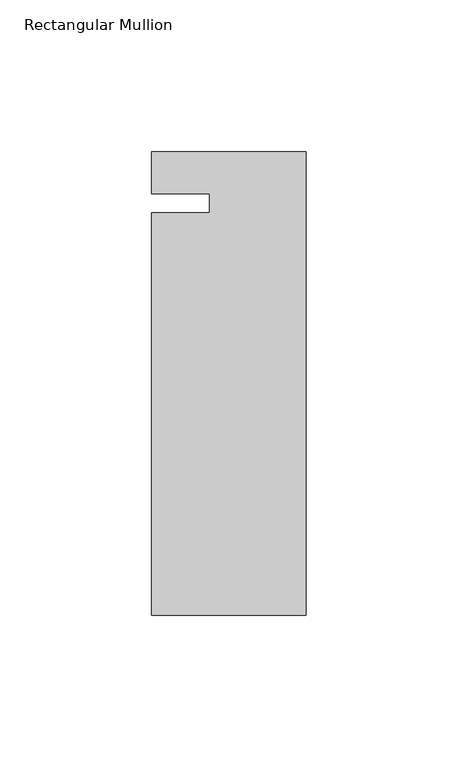
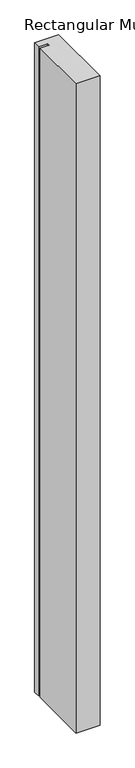
"""IFC4 building model written with IfcOpenShell, lengths in millimetres: member geometry, Rectangular Mullion."""

import ifcopenshell
import ifcopenshell.guid

model = None  # the IFC model being written
_history = None  # IfcOwnerHistory: only IFC2X3 demands one
_inside = {}  # id of a spatial element -> (the spatial element, [elements in it])
_under = {}  # id of a project, library or spatial element -> (it, [spatial elements below it])
_declared = {}  # id of a project -> (the project, [libraries it declares])
_typed = {}  # id of a type object -> (the type object, [elements of that type])
_made_of = {}  # id of a material, layer set ... -> (it, [elements and type objects made of it])


def new_model(schema):
    """Start an empty IFC model of exactly this schema.

    Asked for "IFC4X3", IfcOpenShell would pick the latest addendum, in which some entities
    have other attributes; the version numbers below select the first issue.
    IFC2X3 requires an IfcOwnerHistory on every rooted entity: one is made here for all.
    """
    global model, _history
    if schema == "IFC4X3":
        model = ifcopenshell.file(schema_version=(4, 3, 0, 0))
    else:
        model = ifcopenshell.file(schema=schema)
    _inside.clear()
    _under.clear()
    _declared.clear()
    _typed.clear()
    _made_of.clear()
    _history = None
    if model.schema == "IFC2X3":
        org = make("IfcOrganization", Name="unknown")
        user = make(
            "IfcPersonAndOrganization",
            ThePerson=make("IfcPerson", FamilyName="unknown"),
            TheOrganization=org,
        )
        app = make(
            "IfcApplication",
            ApplicationDeveloper=org,
            Version="unknown",
            ApplicationFullName="unknown",
            ApplicationIdentifier="unknown",
        )
        _history = make(
            "IfcOwnerHistory",
            OwningUser=user,
            OwningApplication=app,
            ChangeAction="ADDED",
            CreationDate=0,
        )
    return model


def make(cls, **values):
    """One entity of the class cls with the attributes given. An attribute that is None is left unset."""
    return model.create_entity(
        cls, **{name: value for name, value in values.items() if value is not None}
    )


def rooted(cls, **values):
    """An entity with a GlobalId (a new one), such as an element, a storey or a relation."""
    return make(cls, GlobalId=ifcopenshell.guid.new(), OwnerHistory=_history, **values)


def si_unit(unit_type, name, prefix=None):
    """IfcSIUnit, for example si_unit("LENGTHUNIT", "METRE", prefix="MILLI")."""
    return make("IfcSIUnit", UnitType=unit_type, Prefix=prefix, Name=name)


def assignment(units):
    """IfcUnitAssignment: the units of a project."""
    return None if units is None else make("IfcUnitAssignment", Units=units)


def point(xyz):
    """IfcCartesianPoint."""
    return None if xyz is None else make("IfcCartesianPoint", Coordinates=xyz)


def direction(xyz):
    """IfcDirection."""
    return None if xyz is None else make("IfcDirection", DirectionRatios=xyz)


def frame(location, z_axis=None, x_axis=None):
    """IfcAxis2Placement3D, a coordinate frame: its origin and axes. An axis left out is left unset."""
    return make(
        "IfcAxis2Placement3D",
        Location=point(location),
        Axis=direction(z_axis),
        RefDirection=direction(x_axis),
    )


def origin():
    """The frame at (0, 0, 0) with its axes left unset."""
    return frame((0.0, 0.0, 0.0))


def place(relative_to, where):
    """IfcLocalPlacement: puts the frame where relative to a parent placement (None: the world)."""
    return make(
        "IfcLocalPlacement", PlacementRelTo=relative_to, RelativePlacement=where
    )


def context(
    kind, dimensions, precision=None, world=None, true_north=None, identifier=None
):
    """IfcGeometricRepresentationContext, for example the 3D "Model" context."""
    return make(
        "IfcGeometricRepresentationContext",
        ContextIdentifier=identifier,
        ContextType=kind,
        CoordinateSpaceDimension=dimensions,
        Precision=precision,
        WorldCoordinateSystem=world,
        TrueNorth=true_north,
    )


def project(units=None, contexts=None):
    """IfcProject with its units and contexts."""
    return rooted(
        "IfcProject",
        Name="project",
        RepresentationContexts=contexts,
        UnitsInContext=assignment(units),
    )


def spatial(cls, under=None, at=None, **own):
    """A site, building, storey or space (cls), placed at a placement, below another one or the project."""
    s = rooted(cls, ObjectPlacement=at, **own)
    if under is not None:
        _under.setdefault(under.id(), (under, []))[1].append(s)
    return s


def polyline(points):
    """IfcPolyline through the points."""
    return make("IfcPolyline", Points=[point(p) for p in points])


def outline(outer, holes=None, kind="AREA"):
    """IfcArbitraryClosedProfileDef: a profile drawn as a closed curve; with holes, ...WithVoids."""
    if holes is None:
        return make("IfcArbitraryClosedProfileDef", ProfileType=kind, OuterCurve=outer)
    return make(
        "IfcArbitraryProfileDefWithVoids",
        ProfileType=kind,
        OuterCurve=outer,
        InnerCurves=holes,
    )


def extrude(swept, where, along, depth):
    """IfcExtrudedAreaSolid: the profile swept, set in the frame where, extruded along a direction by depth."""
    return make(
        "IfcExtrudedAreaSolid",
        SweptArea=swept,
        Position=where,
        ExtrudedDirection=direction(along),
        Depth=depth,
    )


def shape(context_of_items, identifier, shape_type, items):
    """IfcShapeRepresentation: the items that make up one representation, for example the "Body"."""
    return make(
        "IfcShapeRepresentation",
        ContextOfItems=context_of_items,
        RepresentationIdentifier=identifier,
        RepresentationType=shape_type,
        Items=items,
    )


def source(mapping_origin, context_of_items, identifier, shape_type, items):
    """IfcRepresentationMap: a shape defined once, which mapped items show again and again."""
    return make(
        "IfcRepresentationMap",
        MappingOrigin=mapping_origin,
        MappedRepresentation=shape(context_of_items, identifier, shape_type, items),
    )


def transform(
    local_origin,
    x_axis=None,
    y_axis=None,
    z_axis=None,
    scale=None,
    scale2=None,
    scale3=None,
    uniform=True,
):
    """IfcCartesianTransformationOperator3D, or its non-uniform kind. x_axis, y_axis, z_axis: its Axis1, 2, 3."""
    if uniform:
        return make(
            "IfcCartesianTransformationOperator3D",
            Axis1=direction(x_axis),
            Axis2=direction(y_axis),
            LocalOrigin=point(local_origin),
            Scale=scale,
            Axis3=direction(z_axis),
        )
    return make(
        "IfcCartesianTransformationOperator3DnonUniform",
        Axis1=direction(x_axis),
        Axis2=direction(y_axis),
        LocalOrigin=point(local_origin),
        Scale=scale,
        Axis3=direction(z_axis),
        Scale2=scale2,
        Scale3=scale3,
    )


def mapped(mapping_source, mapping_target):
    """IfcMappedItem: shows the shape of a source again, moved by a transform."""
    return make(
        "IfcMappedItem", MappingSource=mapping_source, MappingTarget=mapping_target
    )


def made_of(thing, what):
    """Note that an element or type object is made of a material, layer set ...; save() writes the relation."""
    if what is not None:
        _made_of.setdefault(what.id(), (what, []))[1].append(thing)
    return thing


def element(
    cls,
    number,
    at=None,
    inside=None,
    cuts=None,
    type_object=None,
    material=None,
    context=None,
    identifier="Body",
    shape_type=None,
    held_by="IfcProductDefinitionShape",
    body=None,
    shapes=None,
    **own,
):
    """One element of the class cls, such as IfcWall. Its Tag is "e" and its number.

    at: its placement. inside: the storey or other place that contains it. cuts: it is an
    opening in that element (IfcRelVoidsElement). A single representation is given by context,
    identifier, shape_type and body (its items); several are given by shapes. held_by: the class
    of the entity that holds the representations. save() writes the other relations.
    """
    e = rooted(cls, Tag="e%d" % number, ObjectPlacement=at, **own)
    if body is not None:
        shapes = [shape(context, identifier, shape_type, body)]
    if shapes is not None:
        e.Representation = make(held_by, Representations=shapes)
    if inside is not None:
        _inside.setdefault(inside.id(), (inside, []))[1].append(e)
    if cuts is not None:
        rooted(
            "IfcRelVoidsElement", RelatingBuildingElement=cuts, RelatedOpeningElement=e
        )
    if type_object is not None:
        _typed.setdefault(type_object.id(), (type_object, []))[1].append(e)
    return made_of(e, material)


def aggregate(whole, parts):
    """IfcRelAggregates: a whole, such as a stair, and the parts it consists of."""
    return rooted("IfcRelAggregates", RelatingObject=whole, RelatedObjects=parts)


def save(model, path):
    """Write the relations noted so far, then the file.

    IfcRelAggregates (storeys below a building ...), IfcRelContainedInSpatialStructure (elements
    in a storey), IfcRelDefinesByType, IfcRelAssociatesMaterial and IfcRelDeclares: one each for
    every whole, place, type object, material and project.
    """
    for whole, parts in _under.values():
        aggregate(whole, parts)
    for where, things in _inside.values():
        rooted(
            "IfcRelContainedInSpatialStructure",
            RelatedElements=things,
            RelatingStructure=where,
        )
    for kind, things in _typed.values():
        rooted("IfcRelDefinesByType", RelatedObjects=things, RelatingType=kind)
    for what, things in _made_of.values():
        rooted("IfcRelAssociatesMaterial", RelatedObjects=things, RelatingMaterial=what)
    for by, libraries in _declared.values():
        rooted("IfcRelDeclares", RelatingContext=by, RelatedDefinitions=libraries)
    model.write(path)


def rectangular_mullion_36ba4227(model_context):
    return source(origin(), model_context, "Body", "SweptSolid", [
        extrude(outline(polyline([(-50.8, 13.6728928), (0.0, 13.6728928), (0.0, -138.7271072), (-50.8, -138.7271072), (-50.8, -6.35), (-31.75, -6.35), (-31.75, 0.0), (-50.8, 0.0), (-50.8, 13.6728928)])), frame((0.0, 0.0, -1460.5), z_axis=(0.0, 0.0, 1.0), x_axis=(1.0, 0.0, 0.0)), (0.0, 0.0, 1.0), 1460.5),
    ])


if __name__ == "__main__":
    model = new_model("IFC4")
    model_context = context("Model", 3, world=origin())
    ifc_project = project(units=[si_unit("LENGTHUNIT", "METRE", prefix="MILLI")], contexts=[model_context])
    site = spatial("IfcSite", under=ifc_project)
    building = spatial("IfcBuilding", under=site)
    placement = place(None, origin())
    rectangular_mullion_shape = rectangular_mullion_36ba4227(model_context)
    element("IfcMember", 1, ObjectType="Rectangular Mullion", at=placement, inside=building, context=model_context, shape_type="MappedRepresentation", body=[
        mapped(rectangular_mullion_shape, transform((0.0, 0.0, 0.0), x_axis=(1.0, 0.0, 0.0), y_axis=(0.0, 1.0, 0.0), z_axis=(0.0, 0.0, 1.0))),
    ])
    save(model, "model.ifc")
